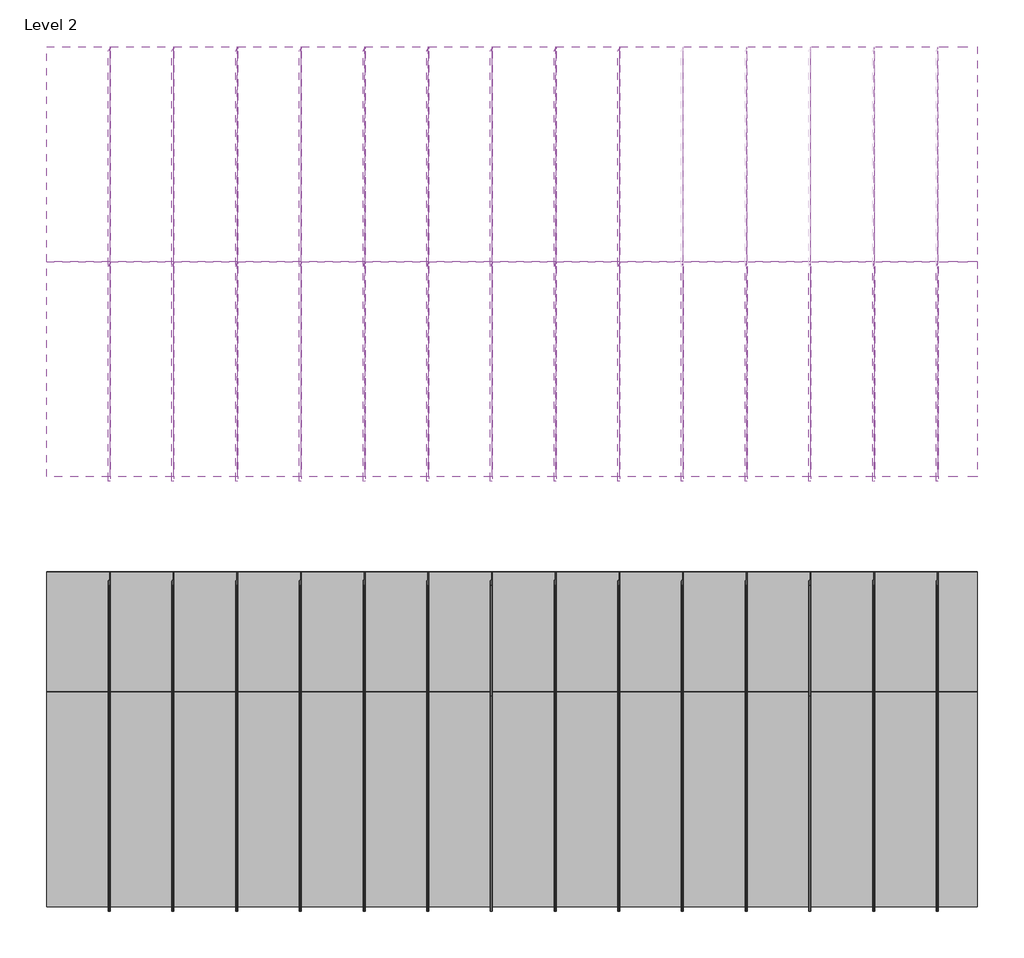
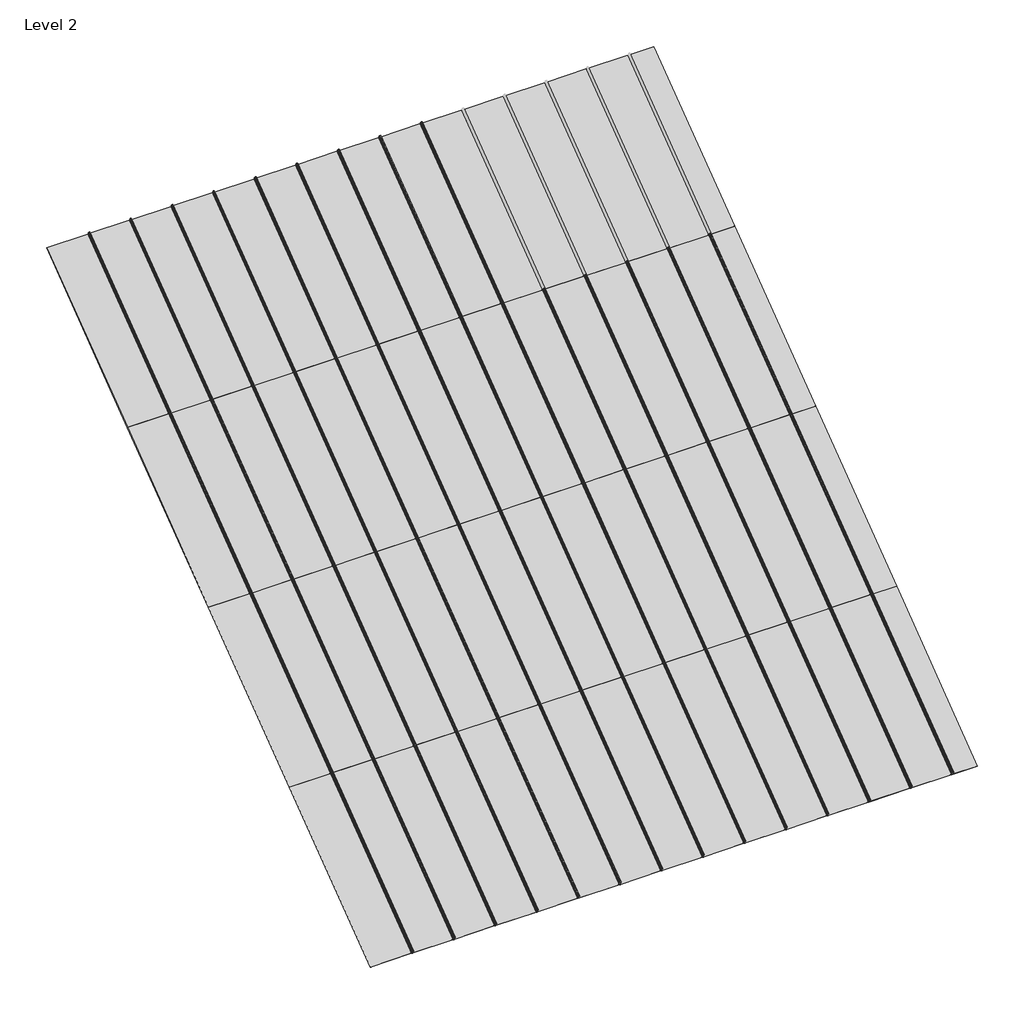
# One storey, part 1 of 113: 60 plates, 51 members.
"""IFC4 building model written with IfcOpenShell, lengths in millimetres."""

import ifcopenshell
import ifcopenshell.guid

model = None  # the IFC model being written
_history = None  # IfcOwnerHistory: only IFC2X3 demands one
_inside = {}  # id of a spatial element -> (the spatial element, [elements in it])
_under = {}  # id of a project, library or spatial element -> (it, [spatial elements below it])
_declared = {}  # id of a project -> (the project, [libraries it declares])
_typed = {}  # id of a type object -> (the type object, [elements of that type])
_made_of = {}  # id of a material, layer set ... -> (it, [elements and type objects made of it])


def new_model(schema):
    """Start an empty IFC model of exactly this schema.

    Asked for "IFC4X3", IfcOpenShell would pick the latest addendum, in which some entities
    have other attributes; the version numbers below select the first issue.
    IFC2X3 requires an IfcOwnerHistory on every rooted entity: one is made here for all.
    """
    global model, _history
    if schema == "IFC4X3":
        model = ifcopenshell.file(schema_version=(4, 3, 0, 0))
    else:
        model = ifcopenshell.file(schema=schema)
    _inside.clear()
    _under.clear()
    _declared.clear()
    _typed.clear()
    _made_of.clear()
    _history = None
    if model.schema == "IFC2X3":
        org = make("IfcOrganization", Name="unknown")
        user = make(
            "IfcPersonAndOrganization",
            ThePerson=make("IfcPerson", FamilyName="unknown"),
            TheOrganization=org,
        )
        app = make(
            "IfcApplication",
            ApplicationDeveloper=org,
            Version="unknown",
            ApplicationFullName="unknown",
            ApplicationIdentifier="unknown",
        )
        _history = make(
            "IfcOwnerHistory",
            OwningUser=user,
            OwningApplication=app,
            ChangeAction="ADDED",
            CreationDate=0,
        )
    return model


def make(cls, **values):
    """One entity of the class cls with the attributes given. An attribute that is None is left unset."""
    return model.create_entity(
        cls, **{name: value for name, value in values.items() if value is not None}
    )


def rooted(cls, **values):
    """An entity with a GlobalId (a new one), such as an element, a storey or a relation."""
    return make(cls, GlobalId=ifcopenshell.guid.new(), OwnerHistory=_history, **values)


def si_unit(unit_type, name, prefix=None):
    """IfcSIUnit, for example si_unit("LENGTHUNIT", "METRE", prefix="MILLI")."""
    return make("IfcSIUnit", UnitType=unit_type, Prefix=prefix, Name=name)


def assignment(units):
    """IfcUnitAssignment: the units of a project."""
    return None if units is None else make("IfcUnitAssignment", Units=units)


def point(xyz):
    """IfcCartesianPoint."""
    return None if xyz is None else make("IfcCartesianPoint", Coordinates=xyz)


def direction(xyz):
    """IfcDirection."""
    return None if xyz is None else make("IfcDirection", DirectionRatios=xyz)


def frame(location, z_axis=None, x_axis=None):
    """IfcAxis2Placement3D, a coordinate frame: its origin and axes. An axis left out is left unset."""
    return make(
        "IfcAxis2Placement3D",
        Location=point(location),
        Axis=direction(z_axis),
        RefDirection=direction(x_axis),
    )


def frame_2d(location, x_axis=None):
    """IfcAxis2Placement2D, a coordinate frame in the plane: its origin and x axis."""
    return make(
        "IfcAxis2Placement2D", Location=point(location), RefDirection=direction(x_axis)
    )


def origin():
    """The frame at (0, 0, 0) with its axes left unset."""
    return frame((0.0, 0.0, 0.0))


def origin_with_axes():
    """The frame at (0, 0, 0) with the z axis (0, 0, 1) and the x axis (1, 0, 0) written out."""
    return frame((0.0, 0.0, 0.0), z_axis=(0.0, 0.0, 1.0), x_axis=(1.0, 0.0, 0.0))


def place(relative_to, where):
    """IfcLocalPlacement: puts the frame where relative to a parent placement (None: the world)."""
    return make(
        "IfcLocalPlacement", PlacementRelTo=relative_to, RelativePlacement=where
    )


def context(
    kind, dimensions, precision=None, world=None, true_north=None, identifier=None
):
    """IfcGeometricRepresentationContext, for example the 3D "Model" context."""
    return make(
        "IfcGeometricRepresentationContext",
        ContextIdentifier=identifier,
        ContextType=kind,
        CoordinateSpaceDimension=dimensions,
        Precision=precision,
        WorldCoordinateSystem=world,
        TrueNorth=true_north,
    )


def project(units=None, contexts=None):
    """IfcProject with its units and contexts."""
    return rooted(
        "IfcProject",
        Name="project",
        RepresentationContexts=contexts,
        UnitsInContext=assignment(units),
    )


def spatial(cls, under=None, at=None, **own):
    """A site, building, storey or space (cls), placed at a placement, below another one or the project."""
    s = rooted(cls, ObjectPlacement=at, **own)
    if under is not None:
        _under.setdefault(under.id(), (under, []))[1].append(s)
    return s


def polyline(points):
    """IfcPolyline through the points."""
    return make("IfcPolyline", Points=[point(p) for p in points])


def circle_curve(where, radius):
    """IfcCircle in the frame where."""
    return make("IfcCircle", Position=where, Radius=radius)


def trimmed(basis, trim1, trim2, sense, master):
    """IfcTrimmedCurve: the piece of a basis curve between two trims."""
    return make(
        "IfcTrimmedCurve",
        BasisCurve=basis,
        Trim1=trim1,
        Trim2=trim2,
        SenseAgreement=sense,
        MasterRepresentation=master,
    )


def segment(curve, same_sense, transition):
    """IfcCompositeCurveSegment."""
    return make(
        "IfcCompositeCurveSegment",
        Transition=transition,
        SameSense=same_sense,
        ParentCurve=curve,
    )


def composite_curve(segments, self_intersect=None):
    """IfcCompositeCurve: segments joined end to end."""
    return make("IfcCompositeCurve", Segments=segments, SelfIntersect=self_intersect)


def outline(outer, holes=None, kind="AREA"):
    """IfcArbitraryClosedProfileDef: a profile drawn as a closed curve; with holes, ...WithVoids."""
    if holes is None:
        return make("IfcArbitraryClosedProfileDef", ProfileType=kind, OuterCurve=outer)
    return make(
        "IfcArbitraryProfileDefWithVoids",
        ProfileType=kind,
        OuterCurve=outer,
        InnerCurves=holes,
    )


def extrude(swept, where, along, depth):
    """IfcExtrudedAreaSolid: the profile swept, set in the frame where, extruded along a direction by depth."""
    return make(
        "IfcExtrudedAreaSolid",
        SweptArea=swept,
        Position=where,
        ExtrudedDirection=direction(along),
        Depth=depth,
    )


def shape(context_of_items, identifier, shape_type, items):
    """IfcShapeRepresentation: the items that make up one representation, for example the "Body"."""
    return make(
        "IfcShapeRepresentation",
        ContextOfItems=context_of_items,
        RepresentationIdentifier=identifier,
        RepresentationType=shape_type,
        Items=items,
    )


def source(mapping_origin, context_of_items, identifier, shape_type, items):
    """IfcRepresentationMap: a shape defined once, which mapped items show again and again."""
    return make(
        "IfcRepresentationMap",
        MappingOrigin=mapping_origin,
        MappedRepresentation=shape(context_of_items, identifier, shape_type, items),
    )


def transform(
    local_origin,
    x_axis=None,
    y_axis=None,
    z_axis=None,
    scale=None,
    scale2=None,
    scale3=None,
    uniform=True,
):
    """IfcCartesianTransformationOperator3D, or its non-uniform kind. x_axis, y_axis, z_axis: its Axis1, 2, 3."""
    if uniform:
        return make(
            "IfcCartesianTransformationOperator3D",
            Axis1=direction(x_axis),
            Axis2=direction(y_axis),
            LocalOrigin=point(local_origin),
            Scale=scale,
            Axis3=direction(z_axis),
        )
    return make(
        "IfcCartesianTransformationOperator3DnonUniform",
        Axis1=direction(x_axis),
        Axis2=direction(y_axis),
        LocalOrigin=point(local_origin),
        Scale=scale,
        Axis3=direction(z_axis),
        Scale2=scale2,
        Scale3=scale3,
    )


def mapped(mapping_source, mapping_target):
    """IfcMappedItem: shows the shape of a source again, moved by a transform."""
    return make(
        "IfcMappedItem", MappingSource=mapping_source, MappingTarget=mapping_target
    )


def made_of(thing, what):
    """Note that an element or type object is made of a material, layer set ...; save() writes the relation."""
    if what is not None:
        _made_of.setdefault(what.id(), (what, []))[1].append(thing)
    return thing


def element(
    cls,
    number,
    at=None,
    inside=None,
    cuts=None,
    type_object=None,
    material=None,
    context=None,
    identifier="Body",
    shape_type=None,
    held_by="IfcProductDefinitionShape",
    body=None,
    shapes=None,
    **own,
):
    """One element of the class cls, such as IfcWall. Its Tag is "e" and its number.

    at: its placement. inside: the storey or other place that contains it. cuts: it is an
    opening in that element (IfcRelVoidsElement). A single representation is given by context,
    identifier, shape_type and body (its items); several are given by shapes. held_by: the class
    of the entity that holds the representations. save() writes the other relations.
    """
    e = rooted(cls, Tag="e%d" % number, ObjectPlacement=at, **own)
    if body is not None:
        shapes = [shape(context, identifier, shape_type, body)]
    if shapes is not None:
        e.Representation = make(held_by, Representations=shapes)
    if inside is not None:
        _inside.setdefault(inside.id(), (inside, []))[1].append(e)
    if cuts is not None:
        rooted(
            "IfcRelVoidsElement", RelatingBuildingElement=cuts, RelatedOpeningElement=e
        )
    if type_object is not None:
        _typed.setdefault(type_object.id(), (type_object, []))[1].append(e)
    return made_of(e, material)


def aggregate(whole, parts):
    """IfcRelAggregates: a whole, such as a stair, and the parts it consists of."""
    return rooted("IfcRelAggregates", RelatingObject=whole, RelatedObjects=parts)


def save(model, path):
    """Write the relations noted so far, then the file.

    IfcRelAggregates (storeys below a building ...), IfcRelContainedInSpatialStructure (elements
    in a storey), IfcRelDefinesByType, IfcRelAssociatesMaterial and IfcRelDeclares: one each for
    every whole, place, type object, material and project.
    """
    for whole, parts in _under.values():
        aggregate(whole, parts)
    for where, things in _inside.values():
        rooted(
            "IfcRelContainedInSpatialStructure",
            RelatedElements=things,
            RelatingStructure=where,
        )
    for kind, things in _typed.values():
        rooted("IfcRelDefinesByType", RelatedObjects=things, RelatingType=kind)
    for what, things in _made_of.values():
        rooted("IfcRelAssociatesMaterial", RelatedObjects=things, RelatingMaterial=what)
    for by, libraries in _declared.values():
        rooted("IfcRelDeclares", RelatingContext=by, RelatedDefinitions=libraries)
    model.write(path)


def rectangular_mullion_707b4951(model_context):
    return source(origin(), model_context, "Body", "SweptSolid", [
        extrude(outline(composite_curve([segment(polyline([(-1.651, -33.918525), (-1.651, 0.396875), (1.778, 0.396875), (1.778, -36.458525)]), True, "CONTINUOUS"), segment(trimmed(circle_curve(frame_2d((-0.762, -36.458525)), 2.54), [point((1.778, -36.458525))], [point((-0.762, -38.998525))], False, "CARTESIAN"), True, "CONTINUOUS"), segment(polyline([(-0.762, -38.998525), (-5.207, -38.998525)]), True, "CONTINUOUS"), segment(trimmed(circle_curve(frame_2d((-5.207, -36.458525)), 2.54), [point((-5.207, -38.998525))], [point((-7.747, -36.458525))], False, "CARTESIAN"), True, "CONTINUOUS"), segment(polyline([(-7.747, -36.458525), (-7.747, -26.425525)]), True, "CONTINUOUS"), segment(trimmed(circle_curve(frame_2d((-5.207, -26.425525)), 2.54), [point((-7.747, -26.425525))], [point((-2.667, -26.425525))], False, "CARTESIAN"), True, "CONTINUOUS"), segment(polyline([(-2.667, -26.425525), (-2.667, -33.918525), (-1.651, -33.918525)]), True, "CONTINUOUS")], self_intersect=False)), frame((0.0, 0.0, -1285.875), z_axis=(0.0, 0.0, 1.0), x_axis=(1.0, 0.0, 0.0)), (0.0, 0.0, 1.0), 1285.875),
    ])


def system_panel_a4273049(model_context):
    return source(origin(), model_context, "Body", "SweptSolid", [
        extrude(outline(polyline([(150.7490002, -0.396875), (-150.7490002, -0.396875), (-150.7490002, 0.396875), (150.7490002, 0.396875), (150.7490002, -0.396875)])), origin_with_axes(), (0.0, 0.0, 1.0), 1285.875),
    ])


def system_panel_d43c26f7(model_context):
    return source(origin(), model_context, "Body", "SweptSolid", [
        extrude(outline(polyline([(150.6855, -0.396875), (-150.6855, -0.396875), (-150.6855, 0.396875), (150.6855, 0.396875), (150.6855, -0.396875)])), origin_with_axes(), (0.0, 0.0, 1.0), 1285.875),
    ])


def system_panel_ad178575(model_context):
    return source(origin(), model_context, "Body", "SweptSolid", [
        extrude(outline(polyline([(93.9165, -0.396875), (-93.9165, -0.396875), (-93.9165, 0.396875), (93.9165, 0.396875), (93.9165, -0.396875)])), origin_with_axes(), (0.0, 0.0, 1.0), 1285.875),
    ])


model = new_model("IFC4")

# Units and contexts
model_context = context("Model", 3, world=origin())
ifc_project = project(units=[si_unit("LENGTHUNIT", "METRE", prefix="MILLI")], contexts=[model_context])

# Site, building, storey
site = spatial("IfcSite", under=ifc_project)
building = spatial("IfcBuilding", under=site)
storey = spatial("IfcBuildingStorey", under=building, Name="Level 2", Elevation=3048.0)

# Members
placement = place(None, origin())
rectangular_mullion_shape = rectangular_mullion_707b4951(model_context)
element("IfcMember", 1, ObjectType="Rectangular Mullion", at=placement, inside=storey, context=model_context, shape_type="MappedRepresentation", body=[
    mapped(rectangular_mullion_shape, transform((-14687.2061584, 38960.8255614, 6134.1), x_axis=(1.0, 0.0, 0.0), y_axis=(0.0, 0.6000000000000011, -0.7999999999999992), z_axis=(0.0, 0.7999999999999992, 0.6000000000000011))),
])
element("IfcMember", 2, ObjectType="Rectangular Mullion", at=placement, inside=storey, context=model_context, shape_type="MappedRepresentation", body=[
    mapped(rectangular_mullion_shape, transform((-14382.4061584, 38960.8255614, 6134.1), x_axis=(1.0, 0.0, 0.0), y_axis=(0.0, 0.6000000000000011, -0.7999999999999992), z_axis=(0.0, 0.7999999999999992, 0.6000000000000011))),
])
element("IfcMember", 3, ObjectType="Rectangular Mullion", at=placement, inside=storey, context=model_context, shape_type="MappedRepresentation", body=[
    mapped(rectangular_mullion_shape, transform((-14077.6061584, 38960.8255614, 6134.1), x_axis=(1.0, 0.0, 0.0), y_axis=(0.0, 0.6000000000000011, -0.7999999999999992), z_axis=(0.0, 0.7999999999999992, 0.6000000000000011))),
])
element("IfcMember", 4, ObjectType="Rectangular Mullion", at=placement, inside=storey, context=model_context, shape_type="MappedRepresentation", body=[
    mapped(rectangular_mullion_shape, transform((-13772.8061584, 38960.8255614, 6134.1), x_axis=(1.0, 0.0, 0.0), y_axis=(0.0, 0.6000000000000011, -0.7999999999999992), z_axis=(0.0, 0.7999999999999992, 0.6000000000000011))),
])
element("IfcMember", 5, ObjectType="Rectangular Mullion", at=placement, inside=storey, context=model_context, shape_type="MappedRepresentation", body=[
    mapped(rectangular_mullion_shape, transform((-13468.0061584, 38960.8255614, 6134.1), x_axis=(1.0, 0.0, 0.0), y_axis=(0.0, 0.6000000000000011, -0.7999999999999992), z_axis=(0.0, 0.7999999999999992, 0.6000000000000011))),
])
element("IfcMember", 6, ObjectType="Rectangular Mullion", at=placement, inside=storey, context=model_context, shape_type="MappedRepresentation", body=[
    mapped(rectangular_mullion_shape, transform((-13163.2061584, 38960.8255614, 6134.1), x_axis=(1.0, 0.0, 0.0), y_axis=(0.0, 0.6000000000000011, -0.7999999999999992), z_axis=(0.0, 0.7999999999999992, 0.6000000000000011))),
])
element("IfcMember", 7, ObjectType="Rectangular Mullion", at=placement, inside=storey, context=model_context, shape_type="MappedRepresentation", body=[
    mapped(rectangular_mullion_shape, transform((-12858.4061584, 38960.8255614, 6134.1), x_axis=(1.0, 0.0, 0.0), y_axis=(0.0, 0.6000000000000011, -0.7999999999999992), z_axis=(0.0, 0.7999999999999992, 0.6000000000000011))),
])
element("IfcMember", 8, ObjectType="Rectangular Mullion", at=placement, inside=storey, context=model_context, shape_type="MappedRepresentation", body=[
    mapped(rectangular_mullion_shape, transform((-12553.6061584, 38960.8255614, 6134.1), x_axis=(1.0, 0.0, 0.0), y_axis=(0.0, 0.6000000000000011, -0.7999999999999992), z_axis=(0.0, 0.7999999999999992, 0.6000000000000011))),
])
element("IfcMember", 9, ObjectType="Rectangular Mullion", at=placement, inside=storey, context=model_context, shape_type="MappedRepresentation", body=[
    mapped(rectangular_mullion_shape, transform((-12248.8061584, 38960.8255614, 6134.1), x_axis=(1.0, 0.0, 0.0), y_axis=(0.0, 0.6000000000000011, -0.7999999999999992), z_axis=(0.0, 0.7999999999999992, 0.6000000000000011))),
])
element("IfcMember", 10, ObjectType="Rectangular Mullion", at=placement, inside=storey, context=model_context, shape_type="MappedRepresentation", body=[
    mapped(rectangular_mullion_shape, transform((-14687.2061584, 35874.7255614, 3819.525), x_axis=(1.0, 0.0, 0.0), y_axis=(0.0, 0.6000000000000008, -0.7999999999999994), z_axis=(0.0, 0.7999999999999994, 0.6000000000000008))),
])
element("IfcMember", 11, ObjectType="Rectangular Mullion", at=placement, inside=storey, context=model_context, shape_type="MappedRepresentation", body=[
    mapped(rectangular_mullion_shape, transform((-14382.4061584, 35874.7255614, 3819.525), x_axis=(1.0, 0.0, 0.0), y_axis=(0.0, 0.6000000000000008, -0.7999999999999994), z_axis=(0.0, 0.7999999999999994, 0.6000000000000008))),
])
element("IfcMember", 12, ObjectType="Rectangular Mullion", at=placement, inside=storey, context=model_context, shape_type="MappedRepresentation", body=[
    mapped(rectangular_mullion_shape, transform((-14077.6061584, 35874.7255614, 3819.525), x_axis=(1.0, 0.0, 0.0), y_axis=(0.0, 0.6000000000000008, -0.7999999999999994), z_axis=(0.0, 0.7999999999999994, 0.6000000000000008))),
])
element("IfcMember", 13, ObjectType="Rectangular Mullion", at=placement, inside=storey, context=model_context, shape_type="MappedRepresentation", body=[
    mapped(rectangular_mullion_shape, transform((-13772.8061584, 35874.7255614, 3819.525), x_axis=(1.0, 0.0, 0.0), y_axis=(0.0, 0.6000000000000008, -0.7999999999999994), z_axis=(0.0, 0.7999999999999994, 0.6000000000000008))),
])
element("IfcMember", 14, ObjectType="Rectangular Mullion", at=placement, inside=storey, context=model_context, shape_type="MappedRepresentation", body=[
    mapped(rectangular_mullion_shape, transform((-13468.0061584, 35874.7255614, 3819.525), x_axis=(1.0, 0.0, 0.0), y_axis=(0.0, 0.6000000000000008, -0.7999999999999994), z_axis=(0.0, 0.7999999999999994, 0.6000000000000008))),
])
element("IfcMember", 15, ObjectType="Rectangular Mullion", at=placement, inside=storey, context=model_context, shape_type="MappedRepresentation", body=[
    mapped(rectangular_mullion_shape, transform((-13163.2061584, 35874.7255614, 3819.525), x_axis=(1.0, 0.0, 0.0), y_axis=(0.0, 0.6000000000000008, -0.7999999999999994), z_axis=(0.0, 0.7999999999999994, 0.6000000000000008))),
])
element("IfcMember", 16, ObjectType="Rectangular Mullion", at=placement, inside=storey, context=model_context, shape_type="MappedRepresentation", body=[
    mapped(rectangular_mullion_shape, transform((-12858.4061584, 35874.7255614, 3819.525), x_axis=(1.0, 0.0, 0.0), y_axis=(0.0, 0.6000000000000008, -0.7999999999999994), z_axis=(0.0, 0.7999999999999994, 0.6000000000000008))),
])
element("IfcMember", 17, ObjectType="Rectangular Mullion", at=placement, inside=storey, context=model_context, shape_type="MappedRepresentation", body=[
    mapped(rectangular_mullion_shape, transform((-12553.6061584, 35874.7255614, 3819.525), x_axis=(1.0, 0.0, 0.0), y_axis=(0.0, 0.6000000000000008, -0.7999999999999994), z_axis=(0.0, 0.7999999999999994, 0.6000000000000008))),
])
element("IfcMember", 18, ObjectType="Rectangular Mullion", at=placement, inside=storey, context=model_context, shape_type="MappedRepresentation", body=[
    mapped(rectangular_mullion_shape, transform((-12248.8061584, 35874.7255614, 3819.525), x_axis=(1.0, 0.0, 0.0), y_axis=(0.0, 0.6000000000000008, -0.7999999999999994), z_axis=(0.0, 0.7999999999999994, 0.6000000000000008))),
])
element("IfcMember", 19, ObjectType="Rectangular Mullion", at=placement, inside=storey, context=model_context, shape_type="MappedRepresentation", body=[
    mapped(rectangular_mullion_shape, transform((-11944.0061584, 35874.7255614, 3819.525), x_axis=(1.0, 0.0, 0.0), y_axis=(0.0, 0.6000000000000008, -0.7999999999999994), z_axis=(0.0, 0.7999999999999994, 0.6000000000000008))),
])
element("IfcMember", 20, ObjectType="Rectangular Mullion", at=placement, inside=storey, context=model_context, shape_type="MappedRepresentation", body=[
    mapped(rectangular_mullion_shape, transform((-11639.2061584, 35874.7255614, 3819.525), x_axis=(1.0, 0.0, 0.0), y_axis=(0.0, 0.6000000000000008, -0.7999999999999994), z_axis=(0.0, 0.7999999999999994, 0.6000000000000008))),
])
element("IfcMember", 21, ObjectType="Rectangular Mullion", at=placement, inside=storey, context=model_context, shape_type="MappedRepresentation", body=[
    mapped(rectangular_mullion_shape, transform((-11334.4061584, 35874.7255614, 3819.525), x_axis=(1.0, 0.0, 0.0), y_axis=(0.0, 0.6000000000000008, -0.7999999999999994), z_axis=(0.0, 0.7999999999999994, 0.6000000000000008))),
])
element("IfcMember", 22, ObjectType="Rectangular Mullion", at=placement, inside=storey, context=model_context, shape_type="MappedRepresentation", body=[
    mapped(rectangular_mullion_shape, transform((-11029.6061584, 35874.7255614, 3819.525), x_axis=(1.0, 0.0, 0.0), y_axis=(0.0, 0.6000000000000008, -0.7999999999999994), z_axis=(0.0, 0.7999999999999994, 0.6000000000000008))),
])
element("IfcMember", 23, ObjectType="Rectangular Mullion", at=placement, inside=storey, context=model_context, shape_type="MappedRepresentation", body=[
    mapped(rectangular_mullion_shape, transform((-10724.8061584, 35874.7255614, 3819.525), x_axis=(1.0, 0.0, 0.0), y_axis=(0.0, 0.6000000000000008, -0.7999999999999994), z_axis=(0.0, 0.7999999999999994, 0.6000000000000008))),
])
element("IfcMember", 24, ObjectType="Rectangular Mullion", at=placement, inside=storey, context=model_context, shape_type="MappedRepresentation", body=[
    mapped(rectangular_mullion_shape, transform((-14687.2061584, 36903.4255614, 4591.05), x_axis=(1.0, 0.0, 0.0), y_axis=(0.0, 0.6000000000000016, -0.7999999999999988), z_axis=(0.0, 0.7999999999999988, 0.6000000000000016))),
])
element("IfcMember", 25, ObjectType="Rectangular Mullion", at=placement, inside=storey, context=model_context, shape_type="MappedRepresentation", body=[
    mapped(rectangular_mullion_shape, transform((-14382.4061584, 36903.4255614, 4591.05), x_axis=(1.0, 0.0, 0.0), y_axis=(0.0, 0.6000000000000016, -0.7999999999999988), z_axis=(0.0, 0.7999999999999988, 0.6000000000000016))),
])
element("IfcMember", 26, ObjectType="Rectangular Mullion", at=placement, inside=storey, context=model_context, shape_type="MappedRepresentation", body=[
    mapped(rectangular_mullion_shape, transform((-14687.2061584, 37932.1255614, 5362.575), x_axis=(1.0, 0.0, 0.0), y_axis=(0.0, 0.6000000000000011, -0.7999999999999992), z_axis=(0.0, 0.7999999999999992, 0.6000000000000011))),
])
element("IfcMember", 27, ObjectType="Rectangular Mullion", at=placement, inside=storey, context=model_context, shape_type="MappedRepresentation", body=[
    mapped(rectangular_mullion_shape, transform((-14382.4061584, 37932.1255614, 5362.575), x_axis=(1.0, 0.0, 0.0), y_axis=(0.0, 0.6000000000000011, -0.7999999999999992), z_axis=(0.0, 0.7999999999999992, 0.6000000000000011))),
])
element("IfcMember", 28, ObjectType="Rectangular Mullion", at=placement, inside=storey, context=model_context, shape_type="MappedRepresentation", body=[
    mapped(rectangular_mullion_shape, transform((-14077.6061584, 36903.4255614, 4591.05), x_axis=(1.0, 0.0, 0.0), y_axis=(0.0, 0.6000000000000016, -0.7999999999999988), z_axis=(0.0, 0.7999999999999988, 0.6000000000000016))),
])
element("IfcMember", 29, ObjectType="Rectangular Mullion", at=placement, inside=storey, context=model_context, shape_type="MappedRepresentation", body=[
    mapped(rectangular_mullion_shape, transform((-13772.8061584, 36903.4255614, 4591.05), x_axis=(1.0, 0.0, 0.0), y_axis=(0.0, 0.6000000000000016, -0.7999999999999988), z_axis=(0.0, 0.7999999999999988, 0.6000000000000016))),
])
element("IfcMember", 30, ObjectType="Rectangular Mullion", at=placement, inside=storey, context=model_context, shape_type="MappedRepresentation", body=[
    mapped(rectangular_mullion_shape, transform((-13468.0061584, 36903.4255614, 4591.05), x_axis=(1.0, 0.0, 0.0), y_axis=(0.0, 0.6000000000000016, -0.7999999999999988), z_axis=(0.0, 0.7999999999999988, 0.6000000000000016))),
])
element("IfcMember", 31, ObjectType="Rectangular Mullion", at=placement, inside=storey, context=model_context, shape_type="MappedRepresentation", body=[
    mapped(rectangular_mullion_shape, transform((-13163.2061584, 36903.4255614, 4591.05), x_axis=(1.0, 0.0, 0.0), y_axis=(0.0, 0.6000000000000016, -0.7999999999999988), z_axis=(0.0, 0.7999999999999988, 0.6000000000000016))),
])
element("IfcMember", 32, ObjectType="Rectangular Mullion", at=placement, inside=storey, context=model_context, shape_type="MappedRepresentation", body=[
    mapped(rectangular_mullion_shape, transform((-12858.4061584, 36903.4255614, 4591.05), x_axis=(1.0, 0.0, 0.0), y_axis=(0.0, 0.6000000000000016, -0.7999999999999988), z_axis=(0.0, 0.7999999999999988, 0.6000000000000016))),
])
element("IfcMember", 33, ObjectType="Rectangular Mullion", at=placement, inside=storey, context=model_context, shape_type="MappedRepresentation", body=[
    mapped(rectangular_mullion_shape, transform((-12553.6061584, 36903.4255614, 4591.05), x_axis=(1.0, 0.0, 0.0), y_axis=(0.0, 0.6000000000000016, -0.7999999999999988), z_axis=(0.0, 0.7999999999999988, 0.6000000000000016))),
])
element("IfcMember", 34, ObjectType="Rectangular Mullion", at=placement, inside=storey, context=model_context, shape_type="MappedRepresentation", body=[
    mapped(rectangular_mullion_shape, transform((-12248.8061584, 36903.4255614, 4591.05), x_axis=(1.0, 0.0, 0.0), y_axis=(0.0, 0.6000000000000016, -0.7999999999999988), z_axis=(0.0, 0.7999999999999988, 0.6000000000000016))),
])
element("IfcMember", 35, ObjectType="Rectangular Mullion", at=placement, inside=storey, context=model_context, shape_type="MappedRepresentation", body=[
    mapped(rectangular_mullion_shape, transform((-11944.0061584, 36903.4255614, 4591.05), x_axis=(1.0, 0.0, 0.0), y_axis=(0.0, 0.6000000000000016, -0.7999999999999988), z_axis=(0.0, 0.7999999999999988, 0.6000000000000016))),
])
element("IfcMember", 36, ObjectType="Rectangular Mullion", at=placement, inside=storey, context=model_context, shape_type="MappedRepresentation", body=[
    mapped(rectangular_mullion_shape, transform((-14077.6061584, 37932.1255614, 5362.575), x_axis=(1.0, 0.0, 0.0), y_axis=(0.0, 0.6000000000000011, -0.7999999999999992), z_axis=(0.0, 0.7999999999999992, 0.6000000000000011))),
])
element("IfcMember", 37, ObjectType="Rectangular Mullion", at=placement, inside=storey, context=model_context, shape_type="MappedRepresentation", body=[
    mapped(rectangular_mullion_shape, transform((-13772.8061584, 37932.1255614, 5362.575), x_axis=(1.0, 0.0, 0.0), y_axis=(0.0, 0.6000000000000011, -0.7999999999999992), z_axis=(0.0, 0.7999999999999992, 0.6000000000000011))),
])
element("IfcMember", 38, ObjectType="Rectangular Mullion", at=placement, inside=storey, context=model_context, shape_type="MappedRepresentation", body=[
    mapped(rectangular_mullion_shape, transform((-13468.0061584, 37932.1255614, 5362.575), x_axis=(1.0, 0.0, 0.0), y_axis=(0.0, 0.6000000000000011, -0.7999999999999992), z_axis=(0.0, 0.7999999999999992, 0.6000000000000011))),
])
element("IfcMember", 39, ObjectType="Rectangular Mullion", at=placement, inside=storey, context=model_context, shape_type="MappedRepresentation", body=[
    mapped(rectangular_mullion_shape, transform((-13163.2061584, 37932.1255614, 5362.575), x_axis=(1.0, 0.0, 0.0), y_axis=(0.0, 0.6000000000000011, -0.7999999999999992), z_axis=(0.0, 0.7999999999999992, 0.6000000000000011))),
])
element("IfcMember", 40, ObjectType="Rectangular Mullion", at=placement, inside=storey, context=model_context, shape_type="MappedRepresentation", body=[
    mapped(rectangular_mullion_shape, transform((-12858.4061584, 37932.1255614, 5362.575), x_axis=(1.0, 0.0, 0.0), y_axis=(0.0, 0.6000000000000011, -0.7999999999999992), z_axis=(0.0, 0.7999999999999992, 0.6000000000000011))),
])
element("IfcMember", 41, ObjectType="Rectangular Mullion", at=placement, inside=storey, context=model_context, shape_type="MappedRepresentation", body=[
    mapped(rectangular_mullion_shape, transform((-12553.6061584, 37932.1255614, 5362.575), x_axis=(1.0, 0.0, 0.0), y_axis=(0.0, 0.6000000000000011, -0.7999999999999992), z_axis=(0.0, 0.7999999999999992, 0.6000000000000011))),
])
element("IfcMember", 42, ObjectType="Rectangular Mullion", at=placement, inside=storey, context=model_context, shape_type="MappedRepresentation", body=[
    mapped(rectangular_mullion_shape, transform((-12248.8061584, 37932.1255614, 5362.575), x_axis=(1.0, 0.0, 0.0), y_axis=(0.0, 0.6000000000000011, -0.7999999999999992), z_axis=(0.0, 0.7999999999999992, 0.6000000000000011))),
])
element("IfcMember", 43, ObjectType="Rectangular Mullion", at=placement, inside=storey, context=model_context, shape_type="MappedRepresentation", body=[
    mapped(rectangular_mullion_shape, transform((-11944.0061584, 37932.1255614, 5362.575), x_axis=(1.0, 0.0, 0.0), y_axis=(0.0, 0.6000000000000011, -0.7999999999999992), z_axis=(0.0, 0.7999999999999992, 0.6000000000000011))),
])
element("IfcMember", 44, ObjectType="Rectangular Mullion", at=placement, inside=storey, context=model_context, shape_type="MappedRepresentation", body=[
    mapped(rectangular_mullion_shape, transform((-11639.2061584, 36903.4255614, 4591.05), x_axis=(1.0, 0.0, 0.0), y_axis=(0.0, 0.6000000000000016, -0.7999999999999988), z_axis=(0.0, 0.7999999999999988, 0.6000000000000016))),
])
element("IfcMember", 45, ObjectType="Rectangular Mullion", at=placement, inside=storey, context=model_context, shape_type="MappedRepresentation", body=[
    mapped(rectangular_mullion_shape, transform((-11334.4061584, 36903.4255614, 4591.05), x_axis=(1.0, 0.0, 0.0), y_axis=(0.0, 0.6000000000000016, -0.7999999999999988), z_axis=(0.0, 0.7999999999999988, 0.6000000000000016))),
])
element("IfcMember", 46, ObjectType="Rectangular Mullion", at=placement, inside=storey, context=model_context, shape_type="MappedRepresentation", body=[
    mapped(rectangular_mullion_shape, transform((-11029.6061584, 36903.4255614, 4591.05), x_axis=(1.0, 0.0, 0.0), y_axis=(0.0, 0.6000000000000016, -0.7999999999999988), z_axis=(0.0, 0.7999999999999988, 0.6000000000000016))),
])
element("IfcMember", 47, ObjectType="Rectangular Mullion", at=placement, inside=storey, context=model_context, shape_type="MappedRepresentation", body=[
    mapped(rectangular_mullion_shape, transform((-10724.8061584, 36903.4255614, 4591.05), x_axis=(1.0, 0.0, 0.0), y_axis=(0.0, 0.6000000000000016, -0.7999999999999988), z_axis=(0.0, 0.7999999999999988, 0.6000000000000016))),
])
element("IfcMember", 48, ObjectType="Rectangular Mullion", at=placement, inside=storey, context=model_context, shape_type="MappedRepresentation", body=[
    mapped(rectangular_mullion_shape, transform((-11639.2061584, 37932.1255614, 5362.575), x_axis=(1.0, 0.0, 0.0), y_axis=(0.0, 0.6000000000000011, -0.7999999999999992), z_axis=(0.0, 0.7999999999999992, 0.6000000000000011))),
])
element("IfcMember", 49, ObjectType="Rectangular Mullion", at=placement, inside=storey, context=model_context, shape_type="MappedRepresentation", body=[
    mapped(rectangular_mullion_shape, transform((-11334.4061584, 37932.1255614, 5362.575), x_axis=(1.0, 0.0, 0.0), y_axis=(0.0, 0.6000000000000011, -0.7999999999999992), z_axis=(0.0, 0.7999999999999992, 0.6000000000000011))),
])
element("IfcMember", 50, ObjectType="Rectangular Mullion", at=placement, inside=storey, context=model_context, shape_type="MappedRepresentation", body=[
    mapped(rectangular_mullion_shape, transform((-11029.6061584, 37932.1255614, 5362.575), x_axis=(1.0, 0.0, 0.0), y_axis=(0.0, 0.6000000000000011, -0.7999999999999992), z_axis=(0.0, 0.7999999999999992, 0.6000000000000011))),
])
element("IfcMember", 51, ObjectType="Rectangular Mullion", at=placement, inside=storey, context=model_context, shape_type="MappedRepresentation", body=[
    mapped(rectangular_mullion_shape, transform((-10724.8061584, 37932.1255614, 5362.575), x_axis=(1.0, 0.0, 0.0), y_axis=(0.0, 0.6000000000000011, -0.7999999999999992), z_axis=(0.0, 0.7999999999999992, 0.6000000000000011))),
])

# Plates
system_panel_shape = system_panel_a4273049(model_context)
element("IfcPlate", 52, ObjectType="System Panel", at=placement, inside=storey, context=model_context, shape_type="MappedRepresentation", body=[
    mapped(system_panel_shape, transform((-14839.6061586, 34846.0255614, 3048.0), x_axis=(1.0, 0.0, 0.0), y_axis=(0.0, 0.6000000000000011, -0.7999999999999992), z_axis=(0.0, 0.7999999999999992, 0.6000000000000011))),
])
element("IfcPlate", 53, ObjectType="System Panel", at=placement, inside=storey, context=model_context, shape_type="MappedRepresentation", body=[
    mapped(system_panel_shape, transform((-14839.6061586, 35874.7255614, 3819.525), x_axis=(1.0, 0.0, 0.0), y_axis=(0.0, 0.6000000000000011, -0.7999999999999992), z_axis=(0.0, 0.7999999999999992, 0.6000000000000011))),
])
element("IfcPlate", 54, ObjectType="System Panel", at=placement, inside=storey, context=model_context, shape_type="MappedRepresentation", body=[
    mapped(system_panel_shape, transform((-14839.6061586, 36903.4255614, 4591.05), x_axis=(1.0, 0.0, 0.0), y_axis=(0.0, 0.6000000000000011, -0.7999999999999992), z_axis=(0.0, 0.7999999999999992, 0.6000000000000011))),
])
element("IfcPlate", 55, ObjectType="System Panel", at=placement, inside=storey, context=model_context, shape_type="MappedRepresentation", body=[
    mapped(system_panel_shape, transform((-14839.6061586, 37932.1255614, 5362.575), x_axis=(1.0, 0.0, 0.0), y_axis=(0.0, 0.6000000000000011, -0.7999999999999992), z_axis=(0.0, 0.7999999999999992, 0.6000000000000011))),
])
system_panel_2_shape = system_panel_d43c26f7(model_context)
element("IfcPlate", 56, ObjectType="System Panel", at=placement, inside=storey, context=model_context, shape_type="MappedRepresentation", body=[
    mapped(system_panel_2_shape, transform((-14534.7426584, 34846.0255614, 3048.0), x_axis=(1.0, 0.0, 0.0), y_axis=(0.0, 0.6000000000000011, -0.7999999999999992), z_axis=(0.0, 0.7999999999999992, 0.6000000000000011))),
])
element("IfcPlate", 57, ObjectType="System Panel", at=placement, inside=storey, context=model_context, shape_type="MappedRepresentation", body=[
    mapped(system_panel_2_shape, transform((-14229.9426584, 34846.0255614, 3048.0), x_axis=(1.0, 0.0, 0.0), y_axis=(0.0, 0.6000000000000011, -0.7999999999999992), z_axis=(0.0, 0.7999999999999992, 0.6000000000000011))),
])
element("IfcPlate", 58, ObjectType="System Panel", at=placement, inside=storey, context=model_context, shape_type="MappedRepresentation", body=[
    mapped(system_panel_2_shape, transform((-14534.7426584, 35874.7255614, 3819.525), x_axis=(1.0, 0.0, 0.0), y_axis=(0.0, 0.6000000000000011, -0.7999999999999992), z_axis=(0.0, 0.7999999999999992, 0.6000000000000011))),
])
element("IfcPlate", 59, ObjectType="System Panel", at=placement, inside=storey, context=model_context, shape_type="MappedRepresentation", body=[
    mapped(system_panel_2_shape, transform((-14229.9426584, 35874.7255614, 3819.525), x_axis=(1.0, 0.0, 0.0), y_axis=(0.0, 0.6000000000000011, -0.7999999999999992), z_axis=(0.0, 0.7999999999999992, 0.6000000000000011))),
])
element("IfcPlate", 60, ObjectType="System Panel", at=placement, inside=storey, context=model_context, shape_type="MappedRepresentation", body=[
    mapped(system_panel_2_shape, transform((-14534.7426584, 36903.4255614, 4591.05), x_axis=(1.0, 0.0, 0.0), y_axis=(0.0, 0.6000000000000011, -0.7999999999999992), z_axis=(0.0, 0.7999999999999992, 0.6000000000000011))),
])
element("IfcPlate", 61, ObjectType="System Panel", at=placement, inside=storey, context=model_context, shape_type="MappedRepresentation", body=[
    mapped(system_panel_2_shape, transform((-14229.9426584, 36903.4255614, 4591.05), x_axis=(1.0, 0.0, 0.0), y_axis=(0.0, 0.6000000000000011, -0.7999999999999992), z_axis=(0.0, 0.7999999999999992, 0.6000000000000011))),
])
element("IfcPlate", 62, ObjectType="System Panel", at=placement, inside=storey, context=model_context, shape_type="MappedRepresentation", body=[
    mapped(system_panel_2_shape, transform((-14534.7426584, 37932.1255614, 5362.575), x_axis=(1.0, 0.0, 0.0), y_axis=(0.0, 0.6000000000000011, -0.7999999999999992), z_axis=(0.0, 0.7999999999999992, 0.6000000000000011))),
])
element("IfcPlate", 63, ObjectType="System Panel", at=placement, inside=storey, context=model_context, shape_type="MappedRepresentation", body=[
    mapped(system_panel_2_shape, transform((-14229.9426584, 37932.1255614, 5362.575), x_axis=(1.0, 0.0, 0.0), y_axis=(0.0, 0.6000000000000011, -0.7999999999999992), z_axis=(0.0, 0.7999999999999992, 0.6000000000000011))),
])
element("IfcPlate", 64, ObjectType="System Panel", at=placement, inside=storey, context=model_context, shape_type="MappedRepresentation", body=[
    mapped(system_panel_2_shape, transform((-13925.1426584, 34846.0255614, 3048.0), x_axis=(1.0, 0.0, 0.0), y_axis=(0.0, 0.6000000000000011, -0.7999999999999992), z_axis=(0.0, 0.7999999999999992, 0.6000000000000011))),
])
element("IfcPlate", 65, ObjectType="System Panel", at=placement, inside=storey, context=model_context, shape_type="MappedRepresentation", body=[
    mapped(system_panel_2_shape, transform((-13925.1426584, 35874.7255614, 3819.525), x_axis=(1.0, 0.0, 0.0), y_axis=(0.0, 0.6000000000000011, -0.7999999999999992), z_axis=(0.0, 0.7999999999999992, 0.6000000000000011))),
])
element("IfcPlate", 66, ObjectType="System Panel", at=placement, inside=storey, context=model_context, shape_type="MappedRepresentation", body=[
    mapped(system_panel_2_shape, transform((-13925.1426584, 36903.4255614, 4591.05), x_axis=(1.0, 0.0, 0.0), y_axis=(0.0, 0.6000000000000011, -0.7999999999999992), z_axis=(0.0, 0.7999999999999992, 0.6000000000000011))),
])
element("IfcPlate", 67, ObjectType="System Panel", at=placement, inside=storey, context=model_context, shape_type="MappedRepresentation", body=[
    mapped(system_panel_2_shape, transform((-13925.1426584, 37932.1255614, 5362.575), x_axis=(1.0, 0.0, 0.0), y_axis=(0.0, 0.6000000000000011, -0.7999999999999992), z_axis=(0.0, 0.7999999999999992, 0.6000000000000011))),
])
element("IfcPlate", 68, ObjectType="System Panel", at=placement, inside=storey, context=model_context, shape_type="MappedRepresentation", body=[
    mapped(system_panel_2_shape, transform((-13620.3426584, 34846.0255614, 3048.0), x_axis=(1.0, 0.0, 0.0), y_axis=(0.0, 0.6000000000000011, -0.7999999999999992), z_axis=(0.0, 0.7999999999999992, 0.6000000000000011))),
])
element("IfcPlate", 69, ObjectType="System Panel", at=placement, inside=storey, context=model_context, shape_type="MappedRepresentation", body=[
    mapped(system_panel_2_shape, transform((-13620.3426584, 35874.7255614, 3819.525), x_axis=(1.0, 0.0, 0.0), y_axis=(0.0, 0.6000000000000011, -0.7999999999999992), z_axis=(0.0, 0.7999999999999992, 0.6000000000000011))),
])
element("IfcPlate", 70, ObjectType="System Panel", at=placement, inside=storey, context=model_context, shape_type="MappedRepresentation", body=[
    mapped(system_panel_2_shape, transform((-13620.3426584, 36903.4255614, 4591.05), x_axis=(1.0, 0.0, 0.0), y_axis=(0.0, 0.6000000000000011, -0.7999999999999992), z_axis=(0.0, 0.7999999999999992, 0.6000000000000011))),
])
element("IfcPlate", 71, ObjectType="System Panel", at=placement, inside=storey, context=model_context, shape_type="MappedRepresentation", body=[
    mapped(system_panel_2_shape, transform((-13620.3426584, 37932.1255614, 5362.575), x_axis=(1.0, 0.0, 0.0), y_axis=(0.0, 0.6000000000000011, -0.7999999999999992), z_axis=(0.0, 0.7999999999999992, 0.6000000000000011))),
])
element("IfcPlate", 72, ObjectType="System Panel", at=placement, inside=storey, context=model_context, shape_type="MappedRepresentation", body=[
    mapped(system_panel_2_shape, transform((-13315.5426584, 34846.0255614, 3048.0), x_axis=(1.0, 0.0, 0.0), y_axis=(0.0, 0.6000000000000011, -0.7999999999999992), z_axis=(0.0, 0.7999999999999992, 0.6000000000000011))),
])
element("IfcPlate", 73, ObjectType="System Panel", at=placement, inside=storey, context=model_context, shape_type="MappedRepresentation", body=[
    mapped(system_panel_2_shape, transform((-13315.5426584, 35874.7255614, 3819.525), x_axis=(1.0, 0.0, 0.0), y_axis=(0.0, 0.6000000000000011, -0.7999999999999992), z_axis=(0.0, 0.7999999999999992, 0.6000000000000011))),
])
element("IfcPlate", 74, ObjectType="System Panel", at=placement, inside=storey, context=model_context, shape_type="MappedRepresentation", body=[
    mapped(system_panel_2_shape, transform((-13315.5426584, 36903.4255614, 4591.05), x_axis=(1.0, 0.0, 0.0), y_axis=(0.0, 0.6000000000000011, -0.7999999999999992), z_axis=(0.0, 0.7999999999999992, 0.6000000000000011))),
])
element("IfcPlate", 75, ObjectType="System Panel", at=placement, inside=storey, context=model_context, shape_type="MappedRepresentation", body=[
    mapped(system_panel_2_shape, transform((-13315.5426584, 37932.1255614, 5362.575), x_axis=(1.0, 0.0, 0.0), y_axis=(0.0, 0.6000000000000011, -0.7999999999999992), z_axis=(0.0, 0.7999999999999992, 0.6000000000000011))),
])
element("IfcPlate", 76, ObjectType="System Panel", at=placement, inside=storey, context=model_context, shape_type="MappedRepresentation", body=[
    mapped(system_panel_2_shape, transform((-13010.7426584, 34846.0255614, 3048.0), x_axis=(1.0, 0.0, 0.0), y_axis=(0.0, 0.6000000000000011, -0.7999999999999992), z_axis=(0.0, 0.7999999999999992, 0.6000000000000011))),
])
element("IfcPlate", 77, ObjectType="System Panel", at=placement, inside=storey, context=model_context, shape_type="MappedRepresentation", body=[
    mapped(system_panel_2_shape, transform((-13010.7426584, 35874.7255614, 3819.525), x_axis=(1.0, 0.0, 0.0), y_axis=(0.0, 0.6000000000000011, -0.7999999999999992), z_axis=(0.0, 0.7999999999999992, 0.6000000000000011))),
])
element("IfcPlate", 78, ObjectType="System Panel", at=placement, inside=storey, context=model_context, shape_type="MappedRepresentation", body=[
    mapped(system_panel_2_shape, transform((-13010.7426584, 36903.4255614, 4591.05), x_axis=(1.0, 0.0, 0.0), y_axis=(0.0, 0.6000000000000011, -0.7999999999999992), z_axis=(0.0, 0.7999999999999992, 0.6000000000000011))),
])
element("IfcPlate", 79, ObjectType="System Panel", at=placement, inside=storey, context=model_context, shape_type="MappedRepresentation", body=[
    mapped(system_panel_2_shape, transform((-13010.7426584, 37932.1255614, 5362.575), x_axis=(1.0, 0.0, 0.0), y_axis=(0.0, 0.6000000000000011, -0.7999999999999992), z_axis=(0.0, 0.7999999999999992, 0.6000000000000011))),
])
element("IfcPlate", 80, ObjectType="System Panel", at=placement, inside=storey, context=model_context, shape_type="MappedRepresentation", body=[
    mapped(system_panel_2_shape, transform((-12705.9426584, 34846.0255614, 3048.0), x_axis=(1.0, 0.0, 0.0), y_axis=(0.0, 0.6000000000000011, -0.7999999999999992), z_axis=(0.0, 0.7999999999999992, 0.6000000000000011))),
])
element("IfcPlate", 81, ObjectType="System Panel", at=placement, inside=storey, context=model_context, shape_type="MappedRepresentation", body=[
    mapped(system_panel_2_shape, transform((-12705.9426584, 35874.7255614, 3819.525), x_axis=(1.0, 0.0, 0.0), y_axis=(0.0, 0.6000000000000011, -0.7999999999999992), z_axis=(0.0, 0.7999999999999992, 0.6000000000000011))),
])
element("IfcPlate", 82, ObjectType="System Panel", at=placement, inside=storey, context=model_context, shape_type="MappedRepresentation", body=[
    mapped(system_panel_2_shape, transform((-12705.9426584, 36903.4255614, 4591.05), x_axis=(1.0, 0.0, 0.0), y_axis=(0.0, 0.6000000000000011, -0.7999999999999992), z_axis=(0.0, 0.7999999999999992, 0.6000000000000011))),
])
element("IfcPlate", 83, ObjectType="System Panel", at=placement, inside=storey, context=model_context, shape_type="MappedRepresentation", body=[
    mapped(system_panel_2_shape, transform((-12705.9426584, 37932.1255614, 5362.575), x_axis=(1.0, 0.0, 0.0), y_axis=(0.0, 0.6000000000000011, -0.7999999999999992), z_axis=(0.0, 0.7999999999999992, 0.6000000000000011))),
])
element("IfcPlate", 84, ObjectType="System Panel", at=placement, inside=storey, context=model_context, shape_type="MappedRepresentation", body=[
    mapped(system_panel_2_shape, transform((-12401.1426584, 34846.0255614, 3048.0), x_axis=(1.0, 0.0, 0.0), y_axis=(0.0, 0.6000000000000011, -0.7999999999999992), z_axis=(0.0, 0.7999999999999992, 0.6000000000000011))),
])
element("IfcPlate", 85, ObjectType="System Panel", at=placement, inside=storey, context=model_context, shape_type="MappedRepresentation", body=[
    mapped(system_panel_2_shape, transform((-12401.1426584, 35874.7255614, 3819.525), x_axis=(1.0, 0.0, 0.0), y_axis=(0.0, 0.6000000000000011, -0.7999999999999992), z_axis=(0.0, 0.7999999999999992, 0.6000000000000011))),
])
element("IfcPlate", 86, ObjectType="System Panel", at=placement, inside=storey, context=model_context, shape_type="MappedRepresentation", body=[
    mapped(system_panel_2_shape, transform((-12401.1426584, 36903.4255614, 4591.05), x_axis=(1.0, 0.0, 0.0), y_axis=(0.0, 0.6000000000000011, -0.7999999999999992), z_axis=(0.0, 0.7999999999999992, 0.6000000000000011))),
])
element("IfcPlate", 87, ObjectType="System Panel", at=placement, inside=storey, context=model_context, shape_type="MappedRepresentation", body=[
    mapped(system_panel_2_shape, transform((-12401.1426584, 37932.1255614, 5362.575), x_axis=(1.0, 0.0, 0.0), y_axis=(0.0, 0.6000000000000011, -0.7999999999999992), z_axis=(0.0, 0.7999999999999992, 0.6000000000000011))),
])
element("IfcPlate", 88, ObjectType="System Panel", at=placement, inside=storey, context=model_context, shape_type="MappedRepresentation", body=[
    mapped(system_panel_2_shape, transform((-12096.3426584, 34846.0255614, 3048.0), x_axis=(1.0, 0.0, 0.0), y_axis=(0.0, 0.6000000000000011, -0.7999999999999992), z_axis=(0.0, 0.7999999999999992, 0.6000000000000011))),
])
element("IfcPlate", 89, ObjectType="System Panel", at=placement, inside=storey, context=model_context, shape_type="MappedRepresentation", body=[
    mapped(system_panel_2_shape, transform((-12096.3426584, 35874.7255614, 3819.525), x_axis=(1.0, 0.0, 0.0), y_axis=(0.0, 0.6000000000000011, -0.7999999999999992), z_axis=(0.0, 0.7999999999999992, 0.6000000000000011))),
])
element("IfcPlate", 90, ObjectType="System Panel", at=placement, inside=storey, context=model_context, shape_type="MappedRepresentation", body=[
    mapped(system_panel_2_shape, transform((-12096.3426584, 36903.4255614, 4591.05), x_axis=(1.0, 0.0, 0.0), y_axis=(0.0, 0.6000000000000011, -0.7999999999999992), z_axis=(0.0, 0.7999999999999992, 0.6000000000000011))),
])
element("IfcPlate", 91, ObjectType="System Panel", at=placement, inside=storey, context=model_context, shape_type="MappedRepresentation", body=[
    mapped(system_panel_2_shape, transform((-12096.3426584, 37932.1255614, 5362.575), x_axis=(1.0, 0.0, 0.0), y_axis=(0.0, 0.6000000000000011, -0.7999999999999992), z_axis=(0.0, 0.7999999999999992, 0.6000000000000011))),
])
element("IfcPlate", 92, ObjectType="System Panel", at=placement, inside=storey, context=model_context, shape_type="MappedRepresentation", body=[
    mapped(system_panel_2_shape, transform((-11791.5426584, 34846.0255614, 3048.0), x_axis=(1.0, 0.0, 0.0), y_axis=(0.0, 0.6000000000000011, -0.7999999999999992), z_axis=(0.0, 0.7999999999999992, 0.6000000000000011))),
])
element("IfcPlate", 93, ObjectType="System Panel", at=placement, inside=storey, context=model_context, shape_type="MappedRepresentation", body=[
    mapped(system_panel_2_shape, transform((-11791.5426584, 35874.7255614, 3819.525), x_axis=(1.0, 0.0, 0.0), y_axis=(0.0, 0.6000000000000011, -0.7999999999999992), z_axis=(0.0, 0.7999999999999992, 0.6000000000000011))),
])
element("IfcPlate", 94, ObjectType="System Panel", at=placement, inside=storey, context=model_context, shape_type="MappedRepresentation", body=[
    mapped(system_panel_2_shape, transform((-11791.5426584, 36903.4255614, 4591.05), x_axis=(1.0, 0.0, 0.0), y_axis=(0.0, 0.6000000000000011, -0.7999999999999992), z_axis=(0.0, 0.7999999999999992, 0.6000000000000011))),
])
element("IfcPlate", 95, ObjectType="System Panel", at=placement, inside=storey, context=model_context, shape_type="MappedRepresentation", body=[
    mapped(system_panel_2_shape, transform((-11791.5426584, 37932.1255614, 5362.575), x_axis=(1.0, 0.0, 0.0), y_axis=(0.0, 0.6000000000000011, -0.7999999999999992), z_axis=(0.0, 0.7999999999999992, 0.6000000000000011))),
])
element("IfcPlate", 96, ObjectType="System Panel", at=placement, inside=storey, context=model_context, shape_type="MappedRepresentation", body=[
    mapped(system_panel_2_shape, transform((-11486.7426584, 34846.0255614, 3048.0), x_axis=(1.0, 0.0, 0.0), y_axis=(0.0, 0.6000000000000011, -0.7999999999999992), z_axis=(0.0, 0.7999999999999992, 0.6000000000000011))),
])
element("IfcPlate", 97, ObjectType="System Panel", at=placement, inside=storey, context=model_context, shape_type="MappedRepresentation", body=[
    mapped(system_panel_2_shape, transform((-11486.7426584, 35874.7255614, 3819.525), x_axis=(1.0, 0.0, 0.0), y_axis=(0.0, 0.6000000000000011, -0.7999999999999992), z_axis=(0.0, 0.7999999999999992, 0.6000000000000011))),
])
element("IfcPlate", 98, ObjectType="System Panel", at=placement, inside=storey, context=model_context, shape_type="MappedRepresentation", body=[
    mapped(system_panel_2_shape, transform((-11486.7426584, 36903.4255614, 4591.05), x_axis=(1.0, 0.0, 0.0), y_axis=(0.0, 0.6000000000000011, -0.7999999999999992), z_axis=(0.0, 0.7999999999999992, 0.6000000000000011))),
])
element("IfcPlate", 99, ObjectType="System Panel", at=placement, inside=storey, context=model_context, shape_type="MappedRepresentation", body=[
    mapped(system_panel_2_shape, transform((-11486.7426584, 37932.1255614, 5362.575), x_axis=(1.0, 0.0, 0.0), y_axis=(0.0, 0.6000000000000011, -0.7999999999999992), z_axis=(0.0, 0.7999999999999992, 0.6000000000000011))),
])
element("IfcPlate", 100, ObjectType="System Panel", at=placement, inside=storey, context=model_context, shape_type="MappedRepresentation", body=[
    mapped(system_panel_2_shape, transform((-11181.9426584, 34846.0255614, 3048.0), x_axis=(1.0, 0.0, 0.0), y_axis=(0.0, 0.6000000000000011, -0.7999999999999992), z_axis=(0.0, 0.7999999999999992, 0.6000000000000011))),
])
element("IfcPlate", 101, ObjectType="System Panel", at=placement, inside=storey, context=model_context, shape_type="MappedRepresentation", body=[
    mapped(system_panel_2_shape, transform((-11181.9426584, 35874.7255614, 3819.525), x_axis=(1.0, 0.0, 0.0), y_axis=(0.0, 0.6000000000000011, -0.7999999999999992), z_axis=(0.0, 0.7999999999999992, 0.6000000000000011))),
])
element("IfcPlate", 102, ObjectType="System Panel", at=placement, inside=storey, context=model_context, shape_type="MappedRepresentation", body=[
    mapped(system_panel_2_shape, transform((-11181.9426584, 36903.4255614, 4591.05), x_axis=(1.0, 0.0, 0.0), y_axis=(0.0, 0.6000000000000011, -0.7999999999999992), z_axis=(0.0, 0.7999999999999992, 0.6000000000000011))),
])
element("IfcPlate", 103, ObjectType="System Panel", at=placement, inside=storey, context=model_context, shape_type="MappedRepresentation", body=[
    mapped(system_panel_2_shape, transform((-11181.9426584, 37932.1255614, 5362.575), x_axis=(1.0, 0.0, 0.0), y_axis=(0.0, 0.6000000000000011, -0.7999999999999992), z_axis=(0.0, 0.7999999999999992, 0.6000000000000011))),
])
element("IfcPlate", 104, ObjectType="System Panel", at=placement, inside=storey, context=model_context, shape_type="MappedRepresentation", body=[
    mapped(system_panel_2_shape, transform((-10877.1426584, 34846.0255614, 3048.0), x_axis=(1.0, 0.0, 0.0), y_axis=(0.0, 0.6000000000000011, -0.7999999999999992), z_axis=(0.0, 0.7999999999999992, 0.6000000000000011))),
])
element("IfcPlate", 105, ObjectType="System Panel", at=placement, inside=storey, context=model_context, shape_type="MappedRepresentation", body=[
    mapped(system_panel_2_shape, transform((-10877.1426584, 35874.7255614, 3819.525), x_axis=(1.0, 0.0, 0.0), y_axis=(0.0, 0.6000000000000011, -0.7999999999999992), z_axis=(0.0, 0.7999999999999992, 0.6000000000000011))),
])
element("IfcPlate", 106, ObjectType="System Panel", at=placement, inside=storey, context=model_context, shape_type="MappedRepresentation", body=[
    mapped(system_panel_2_shape, transform((-10877.1426584, 36903.4255614, 4591.05), x_axis=(1.0, 0.0, 0.0), y_axis=(0.0, 0.6000000000000011, -0.7999999999999992), z_axis=(0.0, 0.7999999999999992, 0.6000000000000011))),
])
element("IfcPlate", 107, ObjectType="System Panel", at=placement, inside=storey, context=model_context, shape_type="MappedRepresentation", body=[
    mapped(system_panel_2_shape, transform((-10877.1426584, 37932.1255614, 5362.575), x_axis=(1.0, 0.0, 0.0), y_axis=(0.0, 0.6000000000000011, -0.7999999999999992), z_axis=(0.0, 0.7999999999999992, 0.6000000000000011))),
])
system_panel_3_shape = system_panel_ad178575(model_context)
element("IfcPlate", 108, ObjectType="System Panel", at=placement, inside=storey, context=model_context, shape_type="MappedRepresentation", body=[
    mapped(system_panel_3_shape, transform((-10629.1116584, 34846.0255614, 3048.0), x_axis=(1.0, 0.0, 0.0), y_axis=(0.0, 0.6000000000000011, -0.7999999999999992), z_axis=(0.0, 0.7999999999999992, 0.6000000000000011))),
])
element("IfcPlate", 109, ObjectType="System Panel", at=placement, inside=storey, context=model_context, shape_type="MappedRepresentation", body=[
    mapped(system_panel_3_shape, transform((-10629.1116584, 35874.7255614, 3819.525), x_axis=(1.0, 0.0, 0.0), y_axis=(0.0, 0.6000000000000011, -0.7999999999999992), z_axis=(0.0, 0.7999999999999992, 0.6000000000000011))),
])
element("IfcPlate", 110, ObjectType="System Panel", at=placement, inside=storey, context=model_context, shape_type="MappedRepresentation", body=[
    mapped(system_panel_3_shape, transform((-10629.1116584, 36903.4255614, 4591.05), x_axis=(1.0, 0.0, 0.0), y_axis=(0.0, 0.6000000000000011, -0.7999999999999992), z_axis=(0.0, 0.7999999999999992, 0.6000000000000011))),
])
element("IfcPlate", 111, ObjectType="System Panel", at=placement, inside=storey, context=model_context, shape_type="MappedRepresentation", body=[
    mapped(system_panel_3_shape, transform((-10629.1116584, 37932.1255614, 5362.575), x_axis=(1.0, 0.0, 0.0), y_axis=(0.0, 0.6000000000000011, -0.7999999999999992), z_axis=(0.0, 0.7999999999999992, 0.6000000000000011))),
])

save(model, "model.ifc")
